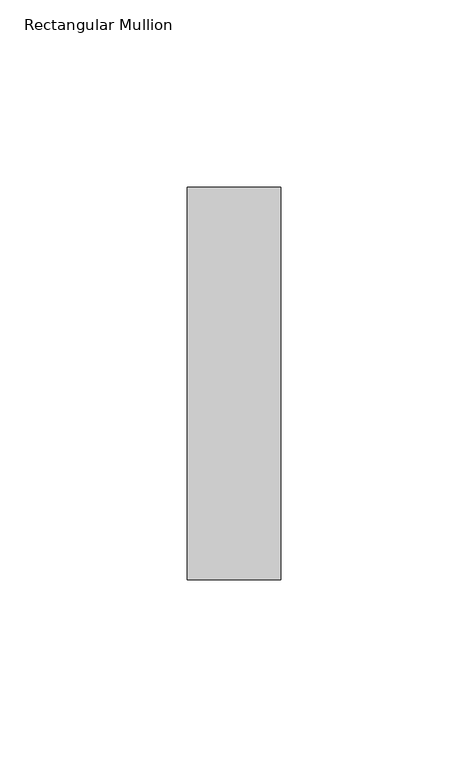
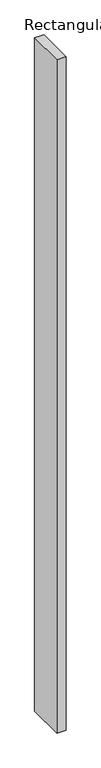
"""IFC4 building model written with IfcOpenShell, lengths in millimetres: member geometry, Rectangular Mullion."""

from ifc_helpers import new_model, si_unit, frame, origin, place, context, project, spatial, polyline, outline, extrude, source, transform, mapped, element, save


def rectangular_mullion_76189d45(model_context):
    return source(origin(), model_context, "Body", "SweptSolid", [
        extrude(outline(polyline([(0.0, -40.0), (-25.0, -40.0), (-25.0, 65.0), (0.0, 65.0), (0.0, -40.0)])), frame((0.0, 0.0, -1950.0), z_axis=(0.0, 0.0, 1.0), x_axis=(1.0, 0.0, 0.0)), (0.0, 0.0, 1.0), 1950.0),
    ])


if __name__ == "__main__":
    model = new_model("IFC4")
    model_context = context("Model", 3, world=origin())
    ifc_project = project(units=[si_unit("LENGTHUNIT", "METRE", prefix="MILLI")], contexts=[model_context])
    site = spatial("IfcSite", under=ifc_project)
    building = spatial("IfcBuilding", under=site)
    placement = place(None, origin())
    rectangular_mullion_shape = rectangular_mullion_76189d45(model_context)
    element("IfcMember", 1, ObjectType="Rectangular Mullion", at=placement, inside=building, context=model_context, shape_type="MappedRepresentation", body=[
        mapped(rectangular_mullion_shape, transform((0.0, 0.0, 0.0), x_axis=(1.0, 0.0, 0.0), y_axis=(0.0, 1.0, 0.0), z_axis=(0.0, 0.0, 1.0))),
    ])
    save(model, "model.ifc")
